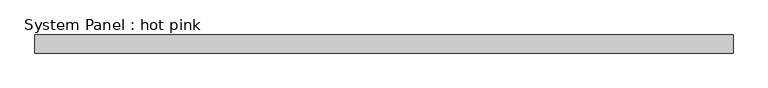
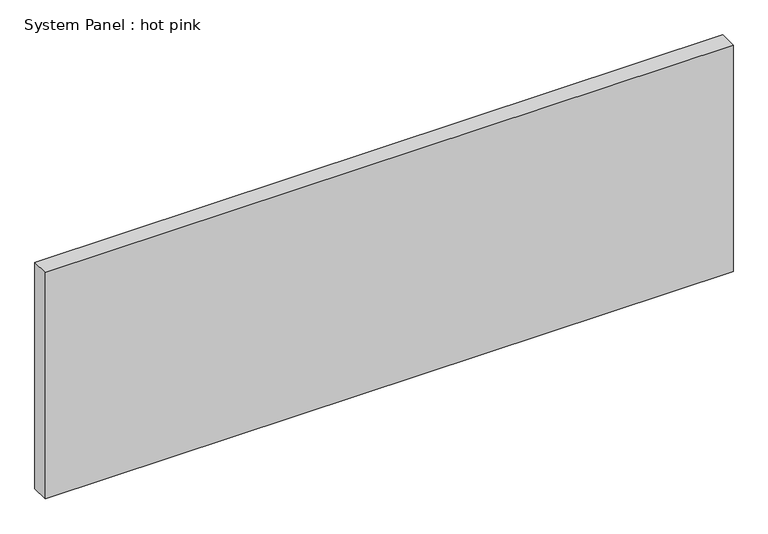
"""IFC4 building model written with IfcOpenShell, lengths in millimetres: plate geometry, System Panel : hot pink."""

from ifc_helpers import new_model, si_unit, origin, origin_with_axes, place, context, project, spatial, polyline, outline, extrude, source, transform, mapped, element, save


def system_panel_hot_pink_60881416(model_context):
    return source(origin(), model_context, "Body", "SweptSolid", [
        extrude(outline(polyline([(1222.7327642, -19.05), (-1222.7327642, -19.05), (-1222.7327642, 44.45), (1222.7327642, 44.45), (1222.7327642, -19.05)])), origin_with_axes(), (0.0, 0.0, 1.0), 850.9),
    ])


if __name__ == "__main__":
    model = new_model("IFC4")
    model_context = context("Model", 3, world=origin())
    ifc_project = project(units=[si_unit("LENGTHUNIT", "METRE", prefix="MILLI")], contexts=[model_context])
    site = spatial("IfcSite", under=ifc_project)
    building = spatial("IfcBuilding", under=site)
    placement = place(None, origin())
    system_panel_hot_pink_shape = system_panel_hot_pink_60881416(model_context)
    element("IfcPlate", 1, ObjectType="System Panel : hot pink", at=placement, inside=building, context=model_context, shape_type="MappedRepresentation", body=[
        mapped(system_panel_hot_pink_shape, transform((0.0, 0.0, 0.0), x_axis=(1.0, 0.0, 0.0), y_axis=(0.0, 1.0, 0.0), z_axis=(0.0, 0.0, 1.0))),
    ])
    save(model, "model.ifc")
